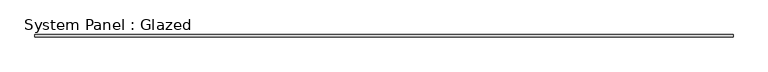
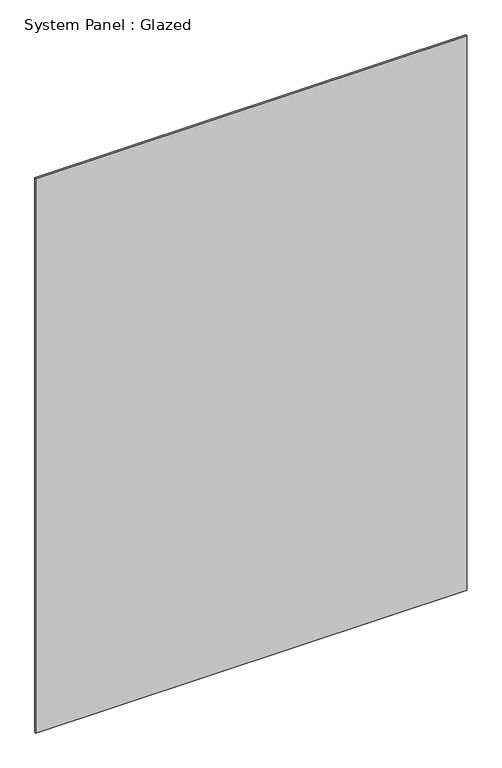
"""IFC4 building model written with IfcOpenShell, lengths in millimetres: plate geometry, System Panel : Glazed."""

from ifc_helpers import new_model, si_unit, origin, origin_with_axes, place, context, project, spatial, polyline, outline, extrude, source, transform, mapped, element, save


def system_panel_glazed_c7ec4269(model_context):
    return source(origin(), model_context, "Body", "SweptSolid", [
        extrude(outline(polyline([(975.0, -3.0), (-975.0, -3.0), (-975.0, 3.0), (975.0, 3.0), (975.0, -3.0)])), origin_with_axes(), (0.0, 0.0, 1.0), 2650.0),
    ])


if __name__ == "__main__":
    model = new_model("IFC4")
    model_context = context("Model", 3, world=origin())
    ifc_project = project(units=[si_unit("LENGTHUNIT", "METRE", prefix="MILLI")], contexts=[model_context])
    site = spatial("IfcSite", under=ifc_project)
    building = spatial("IfcBuilding", under=site)
    placement = place(None, origin())
    system_panel_glazed_shape = system_panel_glazed_c7ec4269(model_context)
    element("IfcPlate", 1, ObjectType="System Panel : Glazed", at=placement, inside=building, context=model_context, shape_type="MappedRepresentation", body=[
        mapped(system_panel_glazed_shape, transform((0.0, 0.0, 0.0), x_axis=(1.0, 0.0, 0.0), y_axis=(0.0, 1.0, 0.0), z_axis=(0.0, 0.0, 1.0))),
    ])
    save(model, "model.ifc")
